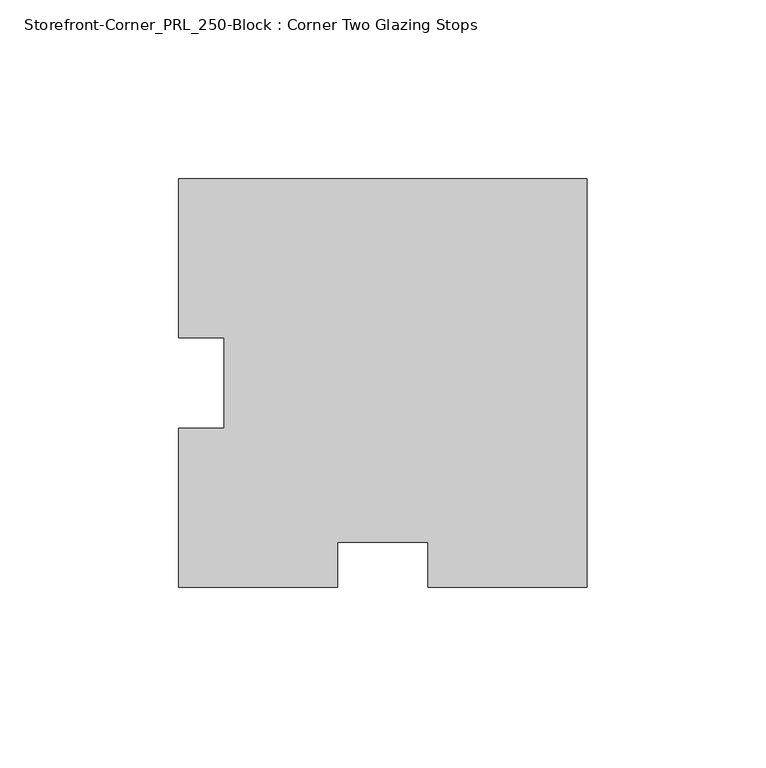
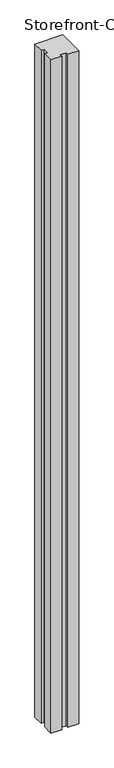
"""IFC4 building model written with IfcOpenShell, lengths in millimetres: proxy geometry, Storefront-Corner_PRL_250-Block : Corner Two Glazing Stops."""

from ifc_helpers import new_model, si_unit, origin, origin_with_axes, place, context, project, spatial, polyline, outline, extrude, source, transform, mapped, element, save


def storefront_corner_prl_250_block_corner_two_glazing_stops_83bb597c(model_context):
    return source(origin(), model_context, "Body", "SweptSolid", [
        extrude(outline(polyline([(-57.15, -12.7), (-44.45, -12.7), (-44.45, 12.7), (-57.15, 12.7), (-57.15, 57.15), (57.15, 57.15), (57.15, -57.15), (12.7, -57.15), (12.7, -44.45), (-12.7, -44.45), (-12.7, -57.15), (-57.15, -57.15), (-57.15, -12.7)])), origin_with_axes(), (0.0, 0.0, 1.0), 2933.7),
    ])


if __name__ == "__main__":
    model = new_model("IFC4")
    model_context = context("Model", 3, world=origin())
    ifc_project = project(units=[si_unit("LENGTHUNIT", "METRE", prefix="MILLI")], contexts=[model_context])
    site = spatial("IfcSite", under=ifc_project)
    building = spatial("IfcBuilding", under=site)
    placement = place(None, origin())
    storefront_corner_prl_250_block_corner_two_glazing_stops_shape = storefront_corner_prl_250_block_corner_two_glazing_stops_83bb597c(model_context)
    element("IfcBuildingElementProxy", 1, Name="Storefront-Corner_PRL_250-Block : Corner Two Glazing Stops", ObjectType="Storefront-Corner_PRL_250-Block : Corner Two Glazing Stops", at=placement, inside=building, context=model_context, shape_type="MappedRepresentation", body=[
        mapped(storefront_corner_prl_250_block_corner_two_glazing_stops_shape, transform((0.0, 0.0, 0.0), x_axis=(1.0, 0.0, 0.0), y_axis=(0.0, 1.0, 0.0), z_axis=(0.0, 0.0, 1.0))),
    ])
    save(model, "model.ifc")
